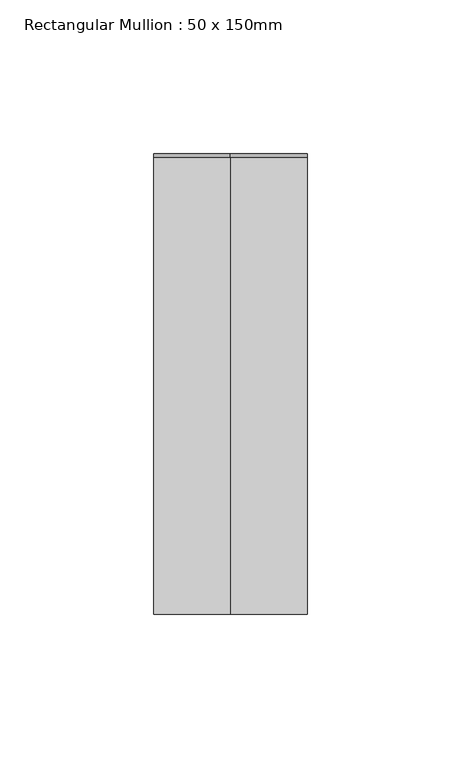
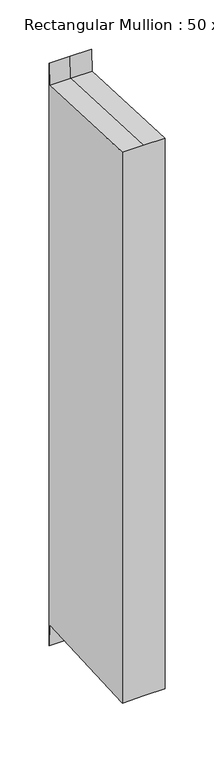
"""IFC4 building model written with IfcOpenShell, lengths in millimetres: member geometry, Rectangular Mullion : 50 x 150mm."""

from ifc_helpers import new_model, si_unit, origin, place, context, project, spatial, faceted_brep, source, transform, mapped, element, save


def rectangular_mullion_50_x_150mm_c0f4fc82(model_context):
    return source(origin(), model_context, "Body", "Brep", [
        faceted_brep([(-25.0, 75.0, 23.2577704), (0.0, 75.0, 23.2577704), (25.0, 75.0, 23.2577704), (25.0, 75.0, -701.82258), (0.0, 75.0, -701.82258), (-25.0, 75.0, -701.82258), (-25.0, -75.0, 3.4593449), (-25.0, 73.7582407, -3.4556134), (-25.0, 73.7582407, -675.1091962), (-25.0, -75.0, -682.0241545), (25.0, -75.0, 3.4593449), (0.0, -75.0, 3.4593449), (0.0, -75.0, -682.0241545), (25.0, -75.0, -682.0241545), (25.0, 73.7582407, -3.4556134), (25.0, 73.7582407, -675.1091962), (0.0, 73.7582407, -3.4556134), (0.0, 73.7582407, -675.1091962)], [[[0, 1, 2, 3, 4, 5]], [[6, 7, 0, 5, 8, 9]], [[10, 11, 6, 9, 12, 13]], [[2, 14, 10, 13, 15, 3]], [[2, 1, 16, 14]], [[1, 0, 7, 16]], [[7, 6, 11, 16]], [[11, 10, 14, 16]], [[3, 15, 17, 4]], [[15, 13, 12, 17]], [[12, 9, 8, 17]], [[8, 5, 4, 17]]]),
    ])


if __name__ == "__main__":
    model = new_model("IFC4")
    model_context = context("Model", 3, world=origin())
    ifc_project = project(units=[si_unit("LENGTHUNIT", "METRE", prefix="MILLI")], contexts=[model_context])
    site = spatial("IfcSite", under=ifc_project)
    building = spatial("IfcBuilding", under=site)
    placement = place(None, origin())
    rectangular_mullion_50_x_150mm_shape = rectangular_mullion_50_x_150mm_c0f4fc82(model_context)
    element("IfcMember", 1, ObjectType="Rectangular Mullion : 50 x 150mm", at=placement, inside=building, context=model_context, shape_type="MappedRepresentation", body=[
        mapped(rectangular_mullion_50_x_150mm_shape, transform((0.0, 0.0, 0.0), x_axis=(1.0, 0.0, 0.0), y_axis=(0.0, 1.0, 0.0), z_axis=(0.0, 0.0, 1.0))),
    ])
    save(model, "model.ifc")
